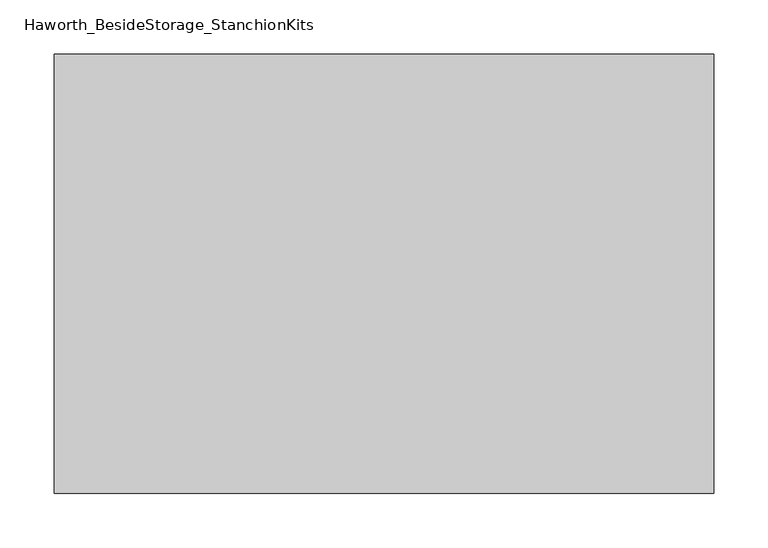
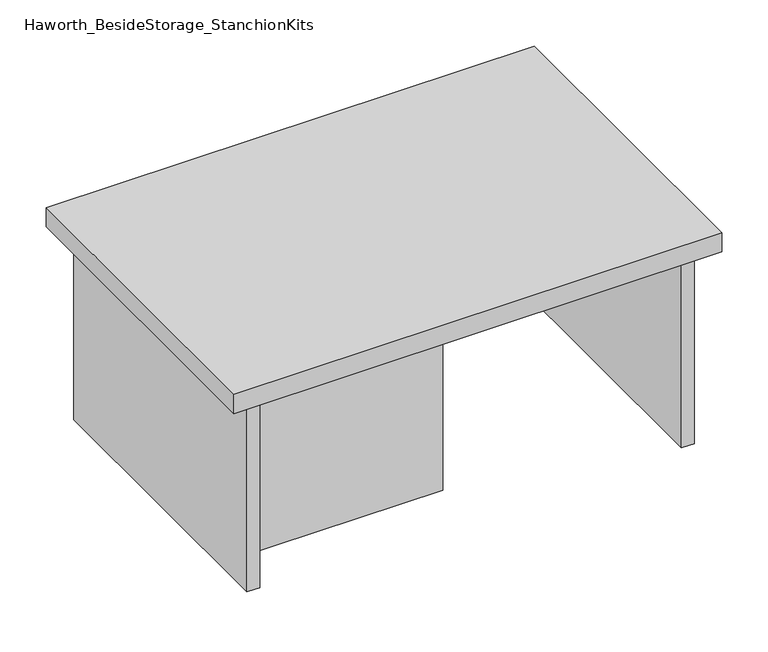
"""IFC4 building model written with IfcOpenShell, lengths in millimetres: furniture geometry, Haworth_BesideStorage_StanchionKits."""

from ifc_helpers import new_model, si_unit, frame, origin, place, context, project, spatial, polyline, outline, extrude, source, transform, mapped, element, save


def haworth_besidestorage_stanchionkits_166189ad(model_context):
    return source(origin(), model_context, "Body", "SweptSolid", [
        extrude(outline(polyline([(466.725, 0.0), (466.725, -406.4), (-142.875, -406.4), (-142.875, 0.0), (466.725, 0.0)])), frame((0.0, 0.0, 685.8), z_axis=(0.0, 0.0, 1.0), x_axis=(1.0, 0.0, 0.0)), (0.0, 0.0, 1.0), 25.4),
        extrude(outline(polyline([(161.925, -76.2), (425.45, -76.2), (425.45, -92.075), (161.925, -92.075), (161.925, -76.2)])), frame((0.0, 0.0, 431.8), z_axis=(0.0, 0.0, 1.0), x_axis=(1.0, 0.0, 0.0)), (0.0, 0.0, 1.0), 254.0),
        extrude(outline(polyline([(161.925, -314.325), (161.925, -330.2), (-101.6, -330.2), (-101.6, -314.325), (161.925, -314.325)])), frame((0.0, 0.0, 431.8), z_axis=(0.0, 0.0, 1.0), x_axis=(1.0, 0.0, 0.0)), (0.0, 0.0, 1.0), 254.0),
        extrude(outline(polyline([(441.325, -390.525), (425.45, -390.525), (425.45, -15.875), (441.325, -15.875), (441.325, -390.525)])), frame((0.0, 0.0, 431.8), z_axis=(0.0, 0.0, 1.0), x_axis=(1.0, 0.0, 0.0)), (0.0, 0.0, 1.0), 254.0),
        extrude(outline(polyline([(-101.6, -390.525), (-117.475, -390.525), (-117.475, -15.875), (-101.6, -15.875), (-101.6, -390.525)])), frame((0.0, 0.0, 431.8), z_axis=(0.0, 0.0, 1.0), x_axis=(1.0, 0.0, 0.0)), (0.0, 0.0, 1.0), 254.0),
    ])


if __name__ == "__main__":
    model = new_model("IFC4")
    model_context = context("Model", 3, world=origin())
    ifc_project = project(units=[si_unit("LENGTHUNIT", "METRE", prefix="MILLI")], contexts=[model_context])
    site = spatial("IfcSite", under=ifc_project)
    building = spatial("IfcBuilding", under=site)
    placement = place(None, origin())
    haworth_besidestorage_stanchionkits_shape = haworth_besidestorage_stanchionkits_166189ad(model_context)
    element("IfcFurniture", 1, ObjectType="Haworth_BesideStorage_StanchionKits", at=placement, inside=building, context=model_context, shape_type="MappedRepresentation", body=[
        mapped(haworth_besidestorage_stanchionkits_shape, transform((0.0, 0.0, 0.0), x_axis=(1.0, 0.0, 0.0), y_axis=(0.0, 1.0, 0.0), z_axis=(0.0, 0.0, 1.0))),
    ])
    save(model, "model.ifc")
